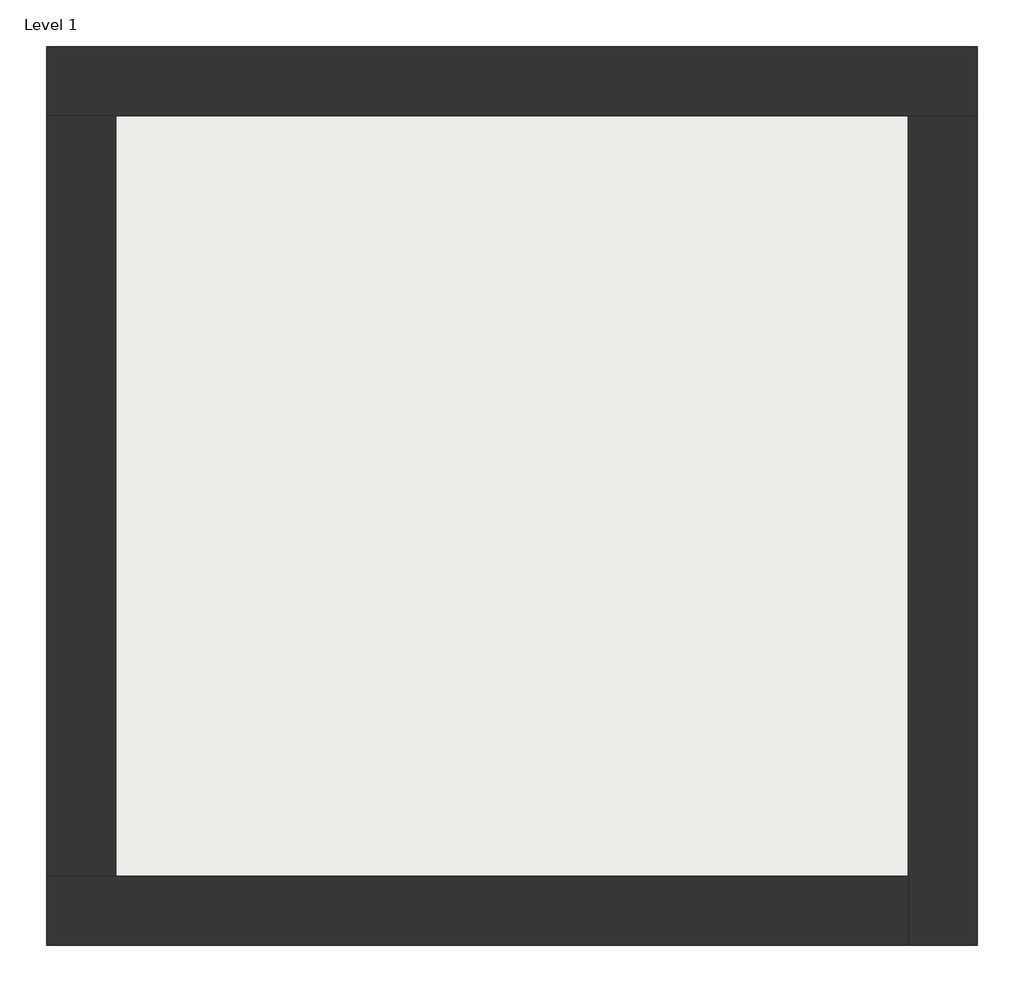
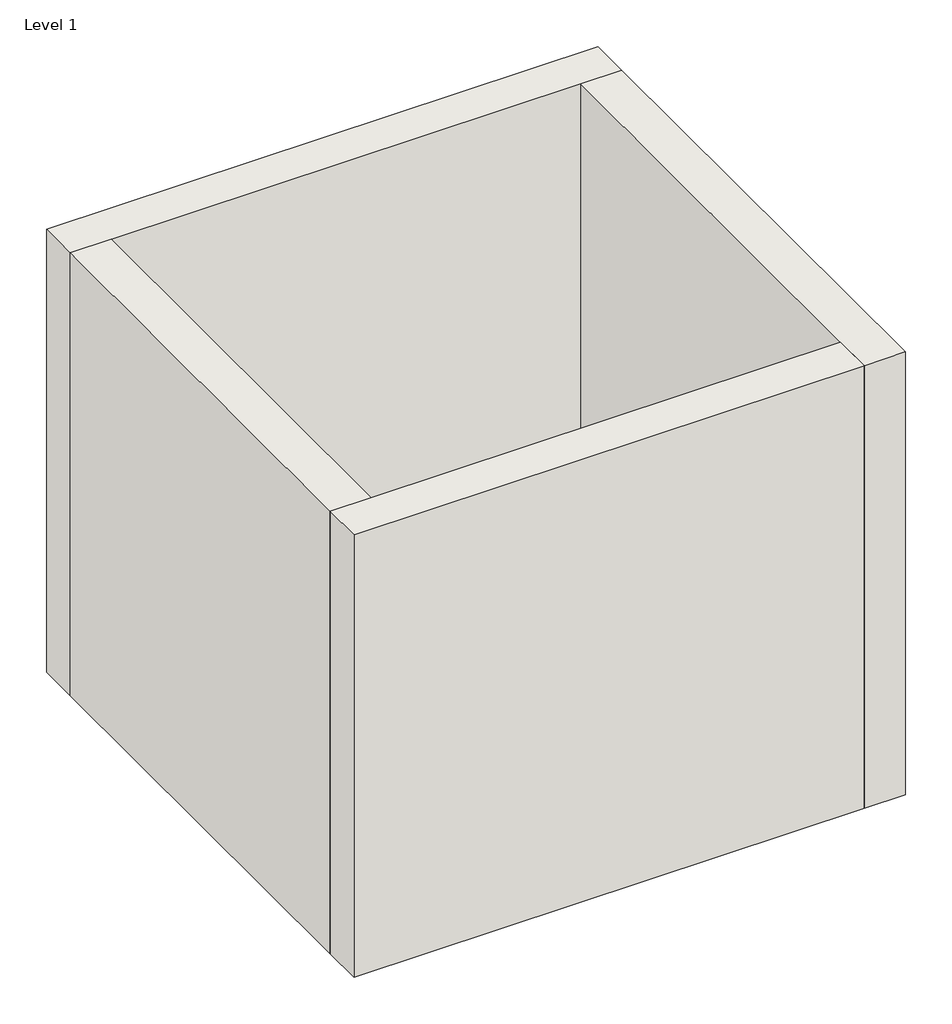
# One storey: 4 walls, 1 slab.
"""IFC4 building model written with IfcOpenShell, lengths in millimetres."""

import ifcopenshell
import ifcopenshell.guid

model = None  # the IFC model being written
_history = None  # IfcOwnerHistory: only IFC2X3 demands one
_inside = {}  # id of a spatial element -> (the spatial element, [elements in it])
_under = {}  # id of a project, library or spatial element -> (it, [spatial elements below it])
_declared = {}  # id of a project -> (the project, [libraries it declares])
_typed = {}  # id of a type object -> (the type object, [elements of that type])
_made_of = {}  # id of a material, layer set ... -> (it, [elements and type objects made of it])


def new_model(schema):
    """Start an empty IFC model of exactly this schema.

    Asked for "IFC4X3", IfcOpenShell would pick the latest addendum, in which some entities
    have other attributes; the version numbers below select the first issue.
    IFC2X3 requires an IfcOwnerHistory on every rooted entity: one is made here for all.
    """
    global model, _history
    if schema == "IFC4X3":
        model = ifcopenshell.file(schema_version=(4, 3, 0, 0))
    else:
        model = ifcopenshell.file(schema=schema)
    _inside.clear()
    _under.clear()
    _declared.clear()
    _typed.clear()
    _made_of.clear()
    _history = None
    if model.schema == "IFC2X3":
        org = make("IfcOrganization", Name="unknown")
        user = make(
            "IfcPersonAndOrganization",
            ThePerson=make("IfcPerson", FamilyName="unknown"),
            TheOrganization=org,
        )
        app = make(
            "IfcApplication",
            ApplicationDeveloper=org,
            Version="unknown",
            ApplicationFullName="unknown",
            ApplicationIdentifier="unknown",
        )
        _history = make(
            "IfcOwnerHistory",
            OwningUser=user,
            OwningApplication=app,
            ChangeAction="ADDED",
            CreationDate=0,
        )
    return model


def make(cls, **values):
    """One entity of the class cls with the attributes given. An attribute that is None is left unset."""
    return model.create_entity(
        cls, **{name: value for name, value in values.items() if value is not None}
    )


def rooted(cls, **values):
    """An entity with a GlobalId (a new one), such as an element, a storey or a relation."""
    return make(cls, GlobalId=ifcopenshell.guid.new(), OwnerHistory=_history, **values)


def si_unit(unit_type, name, prefix=None):
    """IfcSIUnit, for example si_unit("LENGTHUNIT", "METRE", prefix="MILLI")."""
    return make("IfcSIUnit", UnitType=unit_type, Prefix=prefix, Name=name)


def assignment(units):
    """IfcUnitAssignment: the units of a project."""
    return None if units is None else make("IfcUnitAssignment", Units=units)


def point(xyz):
    """IfcCartesianPoint."""
    return None if xyz is None else make("IfcCartesianPoint", Coordinates=xyz)


def direction(xyz):
    """IfcDirection."""
    return None if xyz is None else make("IfcDirection", DirectionRatios=xyz)


def frame(location, z_axis=None, x_axis=None):
    """IfcAxis2Placement3D, a coordinate frame: its origin and axes. An axis left out is left unset."""
    return make(
        "IfcAxis2Placement3D",
        Location=point(location),
        Axis=direction(z_axis),
        RefDirection=direction(x_axis),
    )


def origin():
    """The frame at (0, 0, 0) with its axes left unset."""
    return frame((0.0, 0.0, 0.0))


def origin_with_axes():
    """The frame at (0, 0, 0) with the z axis (0, 0, 1) and the x axis (1, 0, 0) written out."""
    return frame((0.0, 0.0, 0.0), z_axis=(0.0, 0.0, 1.0), x_axis=(1.0, 0.0, 0.0))


def place(relative_to, where):
    """IfcLocalPlacement: puts the frame where relative to a parent placement (None: the world)."""
    return make(
        "IfcLocalPlacement", PlacementRelTo=relative_to, RelativePlacement=where
    )


def context(
    kind, dimensions, precision=None, world=None, true_north=None, identifier=None
):
    """IfcGeometricRepresentationContext, for example the 3D "Model" context."""
    return make(
        "IfcGeometricRepresentationContext",
        ContextIdentifier=identifier,
        ContextType=kind,
        CoordinateSpaceDimension=dimensions,
        Precision=precision,
        WorldCoordinateSystem=world,
        TrueNorth=true_north,
    )


def project(units=None, contexts=None):
    """IfcProject with its units and contexts."""
    return rooted(
        "IfcProject",
        Name="project",
        RepresentationContexts=contexts,
        UnitsInContext=assignment(units),
    )


def spatial(cls, under=None, at=None, **own):
    """A site, building, storey or space (cls), placed at a placement, below another one or the project."""
    s = rooted(cls, ObjectPlacement=at, **own)
    if under is not None:
        _under.setdefault(under.id(), (under, []))[1].append(s)
    return s


def polyline(points):
    """IfcPolyline through the points."""
    return make("IfcPolyline", Points=[point(p) for p in points])


def outline(outer, holes=None, kind="AREA"):
    """IfcArbitraryClosedProfileDef: a profile drawn as a closed curve; with holes, ...WithVoids."""
    if holes is None:
        return make("IfcArbitraryClosedProfileDef", ProfileType=kind, OuterCurve=outer)
    return make(
        "IfcArbitraryProfileDefWithVoids",
        ProfileType=kind,
        OuterCurve=outer,
        InnerCurves=holes,
    )


def extrude(swept, where, along, depth):
    """IfcExtrudedAreaSolid: the profile swept, set in the frame where, extruded along a direction by depth."""
    return make(
        "IfcExtrudedAreaSolid",
        SweptArea=swept,
        Position=where,
        ExtrudedDirection=direction(along),
        Depth=depth,
    )


def faces_of(points, faces, orient=None, outer=None):
    """IfcFace entities. A face is a list of loops; a loop is a list of indices into points, from 0.

    orient and outer hold one flag for each loop. By default every Orientation is true, the
    first loop of a face is its IfcFaceOuterBound and the others are IfcFaceBound.
    """
    made = []
    for i, loops in enumerate(faces):
        bounds = []
        for j, loop in enumerate(loops):
            is_outer = j == 0 if outer is None else outer[i][j]
            bounds.append(
                make(
                    "IfcFaceOuterBound" if is_outer else "IfcFaceBound",
                    Bound=make("IfcPolyLoop", Polygon=[points[k] for k in loop]),
                    Orientation=True if orient is None else orient[i][j],
                )
            )
        made.append(make("IfcFace", Bounds=bounds))
    return made


def faceted_brep(points, faces, orient=None, outer=None, voids=None):
    """IfcFacetedBrep: a solid bounded by flat faces; with voids (closed shells), ...WithVoids."""
    shared = [point(p) for p in points]
    hull = make("IfcClosedShell", CfsFaces=faces_of(shared, faces, orient, outer))
    if voids is None:
        return make("IfcFacetedBrep", Outer=hull)
    return make(
        "IfcFacetedBrepWithVoids",
        Outer=hull,
        Voids=[
            make(cls, CfsFaces=faces_of(shared, fs, o, b)) for cls, fs, o, b in voids
        ],
    )


def shape(context_of_items, identifier, shape_type, items):
    """IfcShapeRepresentation: the items that make up one representation, for example the "Body"."""
    return make(
        "IfcShapeRepresentation",
        ContextOfItems=context_of_items,
        RepresentationIdentifier=identifier,
        RepresentationType=shape_type,
        Items=items,
    )


def made_of(thing, what):
    """Note that an element or type object is made of a material, layer set ...; save() writes the relation."""
    if what is not None:
        _made_of.setdefault(what.id(), (what, []))[1].append(thing)
    return thing


def element(
    cls,
    number,
    at=None,
    inside=None,
    cuts=None,
    type_object=None,
    material=None,
    context=None,
    identifier="Body",
    shape_type=None,
    held_by="IfcProductDefinitionShape",
    body=None,
    shapes=None,
    **own,
):
    """One element of the class cls, such as IfcWall. Its Tag is "e" and its number.

    at: its placement. inside: the storey or other place that contains it. cuts: it is an
    opening in that element (IfcRelVoidsElement). A single representation is given by context,
    identifier, shape_type and body (its items); several are given by shapes. held_by: the class
    of the entity that holds the representations. save() writes the other relations.
    """
    e = rooted(cls, Tag="e%d" % number, ObjectPlacement=at, **own)
    if body is not None:
        shapes = [shape(context, identifier, shape_type, body)]
    if shapes is not None:
        e.Representation = make(held_by, Representations=shapes)
    if inside is not None:
        _inside.setdefault(inside.id(), (inside, []))[1].append(e)
    if cuts is not None:
        rooted(
            "IfcRelVoidsElement", RelatingBuildingElement=cuts, RelatedOpeningElement=e
        )
    if type_object is not None:
        _typed.setdefault(type_object.id(), (type_object, []))[1].append(e)
    return made_of(e, material)


def aggregate(whole, parts):
    """IfcRelAggregates: a whole, such as a stair, and the parts it consists of."""
    return rooted("IfcRelAggregates", RelatingObject=whole, RelatedObjects=parts)


def save(model, path):
    """Write the relations noted so far, then the file.

    IfcRelAggregates (storeys below a building ...), IfcRelContainedInSpatialStructure (elements
    in a storey), IfcRelDefinesByType, IfcRelAssociatesMaterial and IfcRelDeclares: one each for
    every whole, place, type object, material and project.
    """
    for whole, parts in _under.values():
        aggregate(whole, parts)
    for where, things in _inside.values():
        rooted(
            "IfcRelContainedInSpatialStructure",
            RelatedElements=things,
            RelatingStructure=where,
        )
    for kind, things in _typed.values():
        rooted("IfcRelDefinesByType", RelatedObjects=things, RelatingType=kind)
    for what, things in _made_of.values():
        rooted("IfcRelAssociatesMaterial", RelatedObjects=things, RelatingMaterial=what)
    for by, libraries in _declared.values():
        rooted("IfcRelDeclares", RelatingContext=by, RelatedDefinitions=libraries)
    model.write(path)


model = new_model("IFC4")

# Units and contexts
model_context = context("Model", 3, world=origin())
ifc_project = project(units=[si_unit("LENGTHUNIT", "METRE", prefix="MILLI")], contexts=[model_context])

# Site, building, storey
site = spatial("IfcSite", under=ifc_project)
building = spatial("IfcBuilding", under=site)
storey = spatial("IfcBuildingStorey", under=building, Name="Level 1", Elevation=0.0)

# Slab
placement = place(None, origin())
element("IfcSlab", 1, at=placement, inside=storey, context=model_context, shape_type="SweptSolid", body=[
    extrude(outline(polyline([(-10869.3573003, 6934.2750283), (-10869.3573003, 3058.2750283), (-14907.8573003, 3058.2750283), (-14907.8573003, 6934.2750283), (-10869.3573003, 6934.2750283)])), frame((0.0, 0.0, 93.0), z_axis=(0.0, 0.0, 1.0), x_axis=(1.0, 0.0, 0.0)), (0.0, 0.0, 1.0), 27.0),
])

# Walls
element("IfcWall", 2, ObjectType="Exterior - Brick on Mtl. Stud", at=placement, inside=storey, context=model_context, shape_type="Brep", body=[
    faceted_brep([(-15244.8573003, 6921.2750283, 0.0), (-14894.8573003, 6921.2750283, 0.0), (-10882.3573003, 6921.2750283, 0.0), (-10532.3573003, 6921.2750283, 0.0), (-10532.3573003, 6921.2750283, 4000.0), (-10882.3573003, 6921.2750283, 4000.0), (-14894.8573003, 6921.2750283, 4000.0), (-15244.8573003, 6921.2750283, 4000.0), (-15244.8573003, 7271.2750283, 0.0), (-15244.8573003, 7271.2750283, 4000.0), (-10532.3573003, 7271.2750283, 4000.0), (-10532.3573003, 7271.2750283, 0.0)], [[[0, 1, 2, 3, 4, 5, 6, 7]], [[8, 9, 10, 11]], [[3, 2, 1, 0, 8, 11]], [[7, 6, 5, 4, 10, 9]], [[0, 7, 9, 8]], [[4, 3, 11, 10]]]),
])
element("IfcWall", 3, ObjectType="Exterior - Brick on Mtl. Stud", at=placement, inside=storey, context=model_context, shape_type="Brep", body=[
    faceted_brep([(-10882.3573003, 6921.2750283, 0.0), (-10882.3573003, 3071.2750283, 0.0), (-10882.3573003, 2721.2750283, 0.0), (-10882.3573003, 2721.2750283, 4000.0), (-10882.3573003, 3071.2750283, 4000.0), (-10882.3573003, 6921.2750283, 4000.0), (-10532.3573003, 6921.2750283, 0.0), (-10532.3573003, 6921.2750283, 4000.0), (-10532.3573003, 2721.2750283, 4000.0), (-10532.3573003, 2721.2750283, 0.0)], [[[0, 1, 2, 3, 4, 5]], [[6, 7, 8, 9]], [[2, 1, 0, 6, 9]], [[5, 4, 3, 8, 7]], [[3, 2, 9, 8]], [[0, 5, 7, 6]]]),
])
element("IfcWall", 4, ObjectType="Exterior - Brick on Mtl. Stud", at=placement, inside=storey, context=model_context, shape_type="Brep", body=[
    faceted_brep([(-10882.3573003, 3071.2750283, 0.0), (-14894.8573003, 3071.2750283, 0.0), (-15244.8573003, 3071.2750283, 0.0), (-15244.8573003, 3071.2750283, 4000.0), (-14894.8573003, 3071.2750283, 4000.0), (-10882.3573003, 3071.2750283, 4000.0), (-10882.3573003, 2721.2750283, 0.0), (-10882.3573003, 2721.2750283, 4000.0), (-15244.8573003, 2721.2750283, 4000.0), (-15244.8573003, 2721.2750283, 0.0)], [[[0, 1, 2, 3, 4, 5]], [[6, 7, 8, 9]], [[2, 1, 0, 6, 9]], [[5, 4, 3, 8, 7]], [[3, 2, 9, 8]], [[0, 5, 7, 6]]]),
])
element("IfcWall", 5, ObjectType="Exterior - Brick on Mtl. Stud", at=placement, inside=storey, context=model_context, shape_type="SweptSolid", body=[
    extrude(outline(polyline([(-14894.8573003, 6921.2750283), (-14894.8573003, 3071.2750283), (-15244.8573003, 3071.2750283), (-15244.8573003, 6921.2750283), (-14894.8573003, 6921.2750283)])), origin_with_axes(), (0.0, 0.0, 1.0), 4000.0),
])

save(model, "model.ifc")
